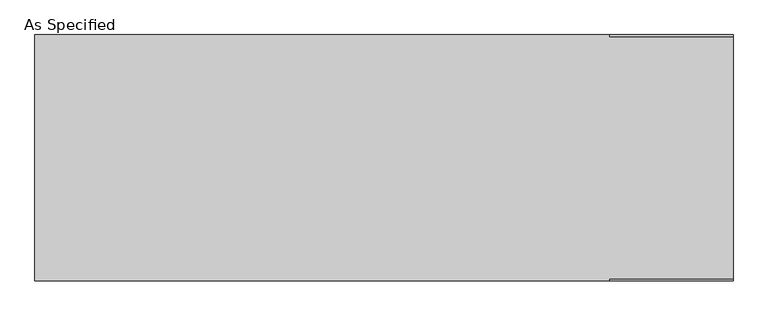
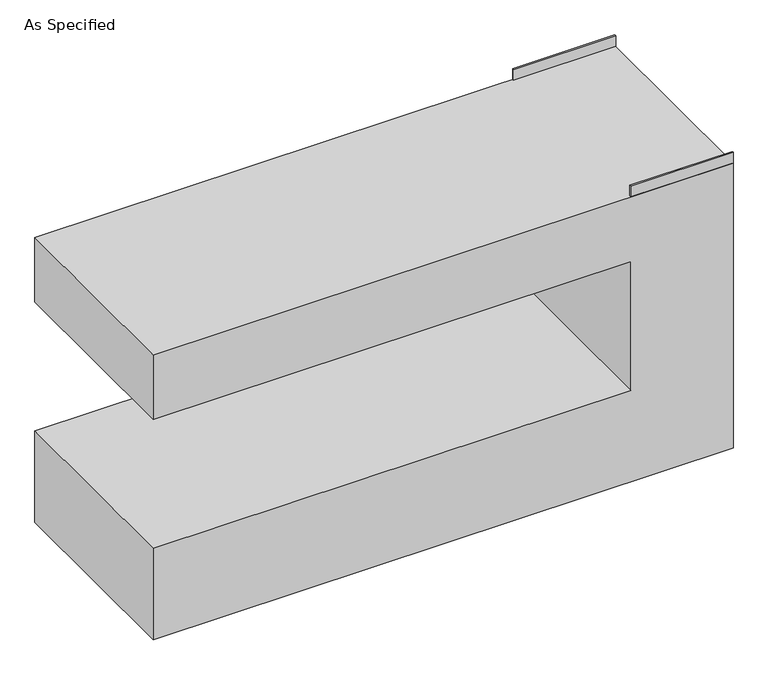
"""IFC4 building model written with IfcOpenShell, lengths in millimetres: proxy geometry, As Specified."""

from ifc_helpers import new_model, si_unit, frame, origin, place, context, project, spatial, polyline, outline, extrude, source, transform, mapped, element, save


def as_specified_90d4fdf3(model_context):
    return source(origin(), model_context, "Body", "SweptSolid", [
        extrude(outline(polyline([(838.2, -457.2), (838.2, -450.85), (1295.4, -450.85), (1295.4, -457.2), (838.2, -457.2)])), frame((0.0, 0.0, 1346.2), z_axis=(0.0, 0.0, 1.0), x_axis=(1.0, 0.0, 0.0)), (0.0, 0.0, 1.0), 50.8),
        extrude(outline(polyline([(838.2, 450.85), (838.2, 457.2), (1295.4, 457.2), (1295.4, 450.85), (838.2, 450.85)])), frame((0.0, 0.0, 1346.2), z_axis=(0.0, 0.0, 1.0), x_axis=(1.0, 0.0, 0.0)), (0.0, 0.0, 1.0), 50.8),
        extrude(outline(polyline([(1346.2, 1295.4), (1346.2, -1295.4), (1041.4, -1295.4), (1041.4, 838.2), (431.8, 838.2), (431.8, -1295.4), (0.0, -1295.4), (0.0, 1295.4), (1346.2, 1295.4)])), frame((0.0, -457.2, 0.0), z_axis=(0.0, 1.0, 0.0), x_axis=(0.0, 0.0, 1.0)), (0.0, 0.0, 1.0), 914.4),
    ])


if __name__ == "__main__":
    model = new_model("IFC4")
    model_context = context("Model", 3, world=origin())
    ifc_project = project(units=[si_unit("LENGTHUNIT", "METRE", prefix="MILLI")], contexts=[model_context])
    site = spatial("IfcSite", under=ifc_project)
    building = spatial("IfcBuilding", under=site)
    placement = place(None, origin())
    as_specified_shape = as_specified_90d4fdf3(model_context)
    element("IfcBuildingElementProxy", 1, Name="As Specified", ObjectType="As Specified", at=placement, inside=building, context=model_context, shape_type="MappedRepresentation", body=[
        mapped(as_specified_shape, transform((0.0, 0.0, 0.0), x_axis=(1.0, 0.0, 0.0), y_axis=(0.0, 1.0, 0.0), z_axis=(0.0, 0.0, 1.0))),
    ])
    save(model, "model.ifc")
